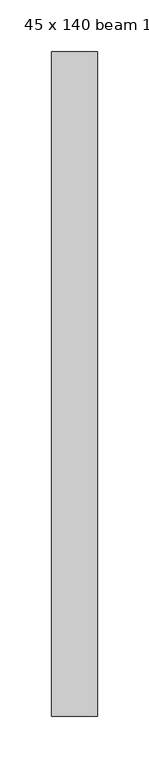
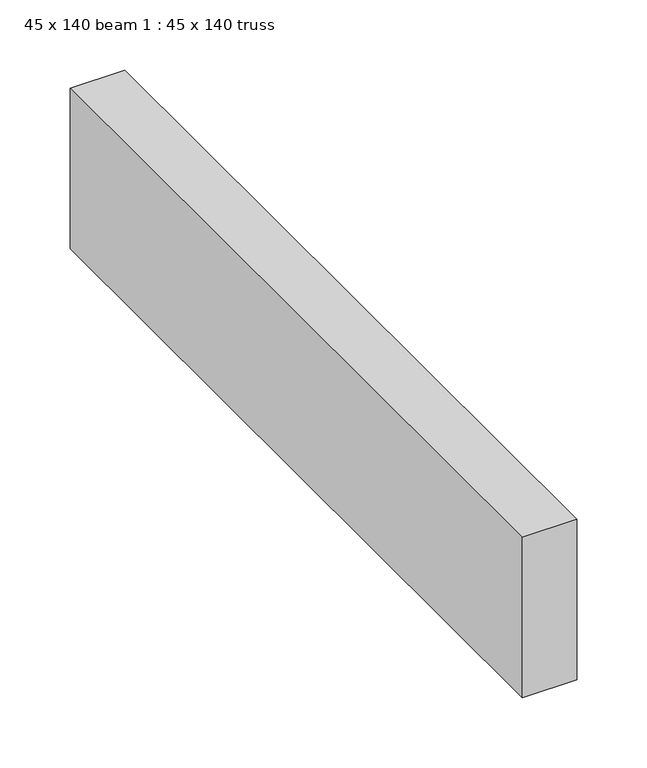
"""IFC4 building model written with IfcOpenShell, lengths in millimetres: proxy geometry, 45 x 140 beam 1 : 45 x 140 truss."""

from ifc_helpers import new_model, si_unit, frame, origin, place, context, project, spatial, polyline, outline, extrude, source, transform, mapped, element, save


def proxy_45_x_140_beam_1_45_x_140_truss_f3451543(model_context):
    return source(origin(), model_context, "Body", "SweptSolid", [
        extrude(outline(polyline([(-11591.1071097, -1342.7120579), (-11636.1071097, -1342.7120579), (-11636.1071097, -697.7120579), (-11591.1071097, -697.7120579), (-11591.1071097, -1342.7120579)])), frame((0.0, 0.0, 3644.2452806), z_axis=(0.0, 0.0, 1.0), x_axis=(1.0, 0.0, 0.0)), (0.0, 0.0, 1.0), 140.0),
    ])


if __name__ == "__main__":
    model = new_model("IFC4")
    model_context = context("Model", 3, world=origin())
    ifc_project = project(units=[si_unit("LENGTHUNIT", "METRE", prefix="MILLI")], contexts=[model_context])
    site = spatial("IfcSite", under=ifc_project)
    building = spatial("IfcBuilding", under=site)
    placement = place(None, origin())
    proxy_45_x_140_beam_1_45_x_140_truss_shape = proxy_45_x_140_beam_1_45_x_140_truss_f3451543(model_context)
    element("IfcBuildingElementProxy", 1, Name="45 x 140 beam 1 : 45 x 140 truss", ObjectType="45 x 140 beam 1 : 45 x 140 truss", at=placement, inside=building, context=model_context, shape_type="MappedRepresentation", body=[
        mapped(proxy_45_x_140_beam_1_45_x_140_truss_shape, transform((0.0, 0.0, 0.0), x_axis=(1.0, 0.0, 0.0), y_axis=(0.0, 1.0, 0.0), z_axis=(0.0, 0.0, 1.0))),
    ])
    save(model, "model.ifc")
